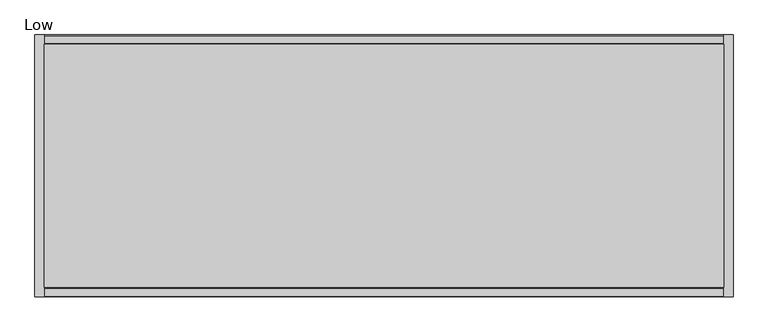
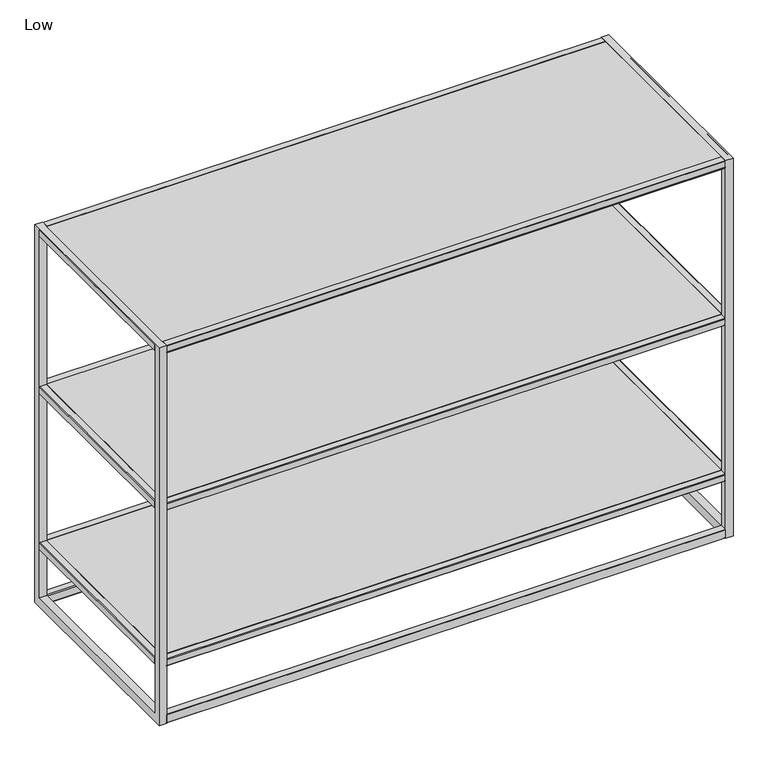
"""IFC4 building model written with IfcOpenShell, lengths in millimetres: furniture geometry, Low."""

from ifc_helpers import new_model, si_unit, frame, origin, place, context, project, spatial, polyline, outline, extrude, source, transform, mapped, element, save


def low_39e5bdbe(model_context):
    return source(origin(), model_context, "Body", "SweptSolid", [
        extrude(outline(polyline([(-1.778, 1.3619377), (-3.1399377, 0.0), (-16.3996092, 0.0), (-18.034, 1.7657197), (-18.034, 17.9909329), (-16.3996092, 19.6253237), (-3.1399377, 19.6253237), (-1.778, 18.263386), (-1.778, 1.3619377)])), frame((16.1568429, 0.0, 0.0), z_axis=(1.0, 0.0, 0.0), x_axis=(0.0, 1.0, 0.0)), (0.0, 0.0, 1.0), 1186.7871571),
        extrude(outline(polyline([(-458.978, 1.2971853), (-458.978, 18.3281384), (-457.6808147, 19.6253237), (-444.4211432, 19.6253237), (-442.7867523, 17.9909329), (-442.7867523, 1.7657197), (-444.4211432, 0.0), (-457.6808147, 0.0), (-458.978, 1.2971853)])), frame((16.1568429, 0.0, 0.0), z_axis=(1.0, 0.0, 0.0), x_axis=(0.0, 1.0, 0.0)), (0.0, 0.0, 1.0), 1186.7871571),
        extrude(outline(polyline([(141.8726576, 0.0), (128.8872913, 0.0), (127.5025281, 1.3847632), (127.5025281, 14.7274123), (128.7608398, 16.1568429), (142.0391534, 16.1568429), (143.5462254, 14.4449861), (143.5462254, 1.6735678), (141.8726576, 0.0)])), frame((0.0, -442.7867523, 0.0), z_axis=(0.0, 1.0, 0.0), x_axis=(0.0, 0.0, 1.0)), (0.0, 0.0, 1.0), 424.7527523),
        extrude(outline(polyline([(141.7735005, 1219.2), (143.5462254, 1217.4272751), (143.5462254, 1204.6558568), (142.0391534, 1202.944), (128.7608398, 1202.944), (127.5025281, 1204.3734306), (127.5025281, 1217.7160797), (128.9864484, 1219.2), (141.7735005, 1219.2)])), frame((0.0, -442.7867523, 0.0), z_axis=(0.0, 1.0, 0.0), x_axis=(0.0, 0.0, 1.0)), (0.0, 0.0, 1.0), 424.7527523),
        extrude(outline(polyline([(492.6521114, 0.0), (479.666745, 0.0), (478.282, 1.384745), (478.282, 14.7274329), (479.5402936, 16.1568429), (492.8186071, 16.1568429), (494.3256791, 14.4449861), (494.3256791, 1.6735678), (492.6521114, 0.0)])), frame((0.0, -442.7867523, 0.0), z_axis=(0.0, 1.0, 0.0), x_axis=(0.0, 0.0, 1.0)), (0.0, 0.0, 1.0), 424.7527523),
        extrude(outline(polyline([(492.5529543, 1219.2), (494.3256791, 1217.4272751), (494.3256791, 1204.6558568), (492.8186071, 1202.944), (479.5402936, 1202.944), (478.282, 1204.37341), (478.282, 1217.7160979), (479.7659021, 1219.2), (492.5529543, 1219.2)])), frame((0.0, -442.7867523, 0.0), z_axis=(0.0, 1.0, 0.0), x_axis=(0.0, 0.0, 1.0)), (0.0, 0.0, 1.0), 424.7527523),
        extrude(outline(polyline([(845.8685945, 0.0), (832.8832282, 0.0), (831.3681496, 1.5150786), (831.3681496, 14.5793751), (832.7567768, 16.1568429), (846.0350903, 16.1568429), (847.5421623, 14.4449861), (847.5421623, 1.6735678), (845.8685945, 0.0)])), frame((0.0, -442.7867523, 0.0), z_axis=(0.0, 1.0, 0.0), x_axis=(0.0, 0.0, 1.0)), (0.0, 0.0, 1.0), 424.7527523),
        extrude(outline(polyline([(845.7694374, 1219.2), (847.5421623, 1217.4272751), (847.5421623, 1204.6558568), (846.0350903, 1202.944), (832.7567768, 1202.944), (831.3681496, 1204.5214678), (831.3681496, 1217.5857643), (832.9823853, 1219.2), (845.7694374, 1219.2)])), frame((0.0, -442.7867523, 0.0), z_axis=(0.0, 1.0, 0.0), x_axis=(0.0, 0.0, 1.0)), (0.0, 0.0, 1.0), 424.7527523),
        extrude(outline(polyline([(1202.944, -18.034), (1202.944, -442.7867523), (16.1568429, -442.7867523), (16.1568429, -18.034), (1202.944, -18.034)])), frame((0.0, 0.0, 846.6314683), z_axis=(0.0, 0.0, 1.0), x_axis=(1.0, 0.0, 0.0)), (0.0, 0.0, 1.0), 0.910694),
        extrude(outline(polyline([(1202.944, -18.034), (1202.944, -442.7867523), (16.1568429, -442.7867523), (16.1568429, -18.034), (1202.944, -18.034)])), frame((0.0, 0.0, 478.282), z_axis=(0.0, 0.0, 1.0), x_axis=(1.0, 0.0, 0.0)), (0.0, 0.0, 1.0), 16.0436791),
        extrude(outline(polyline([(1202.944, -18.034), (1202.944, -442.7867523), (16.1568429, -442.7867523), (16.1568429, -18.034), (1202.944, -18.034)])), frame((0.0, 0.0, 127.5025281), z_axis=(0.0, 0.0, 1.0), x_axis=(1.0, 0.0, 0.0)), (0.0, 0.0, 1.0), 16.0436973),
        extrude(outline(polyline([(1202.944, -18.034), (1202.944, -442.7867523), (16.1568429, -442.7867523), (16.1568429, -18.034), (1202.944, -18.034)])), frame((0.0, 0.0, 832.1859872), z_axis=(0.0, 0.0, 1.0), x_axis=(1.0, 0.0, 0.0)), (0.0, 0.0, 1.0), 16.1740128),
        extrude(outline(polyline([(-1.778, 0.0), (-458.978, 0.0), (-458.978, 848.36), (-1.778, 848.36), (-1.778, 0.0)]), holes=[polyline([(-442.7867523, 832.1859872), (-442.7867523, 19.6253237), (-18.034, 19.6253237), (-18.034, 832.1859872), (-442.7867523, 832.1859872)])]), frame((1202.944, 0.0, 0.0), z_axis=(1.0, 0.0, 0.0), x_axis=(0.0, 1.0, 0.0)), (0.0, 0.0, 1.0), 16.256),
        extrude(outline(polyline([(-1.778, 0.0), (-458.978, 0.0), (-458.978, 848.36), (-1.778, 848.36), (-1.778, 0.0)]), holes=[polyline([(-442.7867523, 832.1859872), (-442.7867523, 19.6253237), (-18.034, 19.6253237), (-18.034, 832.1859872), (-442.7867523, 832.1859872)])]), frame((0.0, 0.0, 0.0), z_axis=(1.0, 0.0, 0.0), x_axis=(0.0, 1.0, 0.0)), (0.0, 0.0, 1.0), 16.1568429),
        extrude(outline(polyline([(-1.778, 833.6782404), (-3.2702531, 832.1859872), (-16.2789862, 832.1859872), (-18.034, 834.0820224), (-18.034, 846.9969648), (-16.6709648, 848.36), (-2.9737057, 848.36), (-1.778, 847.1642943), (-1.778, 833.6782404)])), frame((16.1568429, 0.0, 0.0), z_axis=(1.0, 0.0, 0.0), x_axis=(0.0, 1.0, 0.0)), (0.0, 0.0, 1.0), 1186.7871571),
        extrude(outline(polyline([(-458.978, 833.6782404), (-458.978, 847.1642943), (-457.7822943, 848.36), (-444.2214367, 848.36), (-442.7867523, 847.0617172), (-442.7867523, 834.012067), (-444.6134154, 832.1859872), (-457.4857469, 832.1859872), (-458.978, 833.6782404)])), frame((16.1568429, 0.0, 0.0), z_axis=(1.0, 0.0, 0.0), x_axis=(0.0, 1.0, 0.0)), (0.0, 0.0, 1.0), 1186.7871571),
        extrude(outline(polyline([(-1.778, 832.8604027), (-3.2702531, 831.3681496), (-16.2789862, 831.3681496), (-18.034, 833.2641847), (-18.034, 846.1791271), (-16.6709648, 847.5421623), (-2.9737057, 847.5421623), (-1.778, 846.3464566), (-1.778, 832.8604027)])), frame((16.1568429, 0.0, 0.0), z_axis=(1.0, 0.0, 0.0), x_axis=(0.0, 1.0, 0.0)), (0.0, 0.0, 1.0), 1186.7871571),
        extrude(outline(polyline([(-458.978, 832.8604027), (-458.978, 846.3464566), (-457.7822943, 847.5421623), (-444.2214367, 847.5421623), (-442.7867523, 846.2438795), (-442.7867523, 833.1942293), (-444.6134154, 831.3681496), (-457.4857469, 831.3681496), (-458.978, 832.8604027)])), frame((16.1568429, 0.0, 0.0), z_axis=(1.0, 0.0, 0.0), x_axis=(0.0, 1.0, 0.0)), (0.0, 0.0, 1.0), 1186.7871571),
        extrude(outline(polyline([(-1.778, 479.6439377), (-3.1399377, 478.282), (-16.3996092, 478.282), (-18.034, 480.0477197), (-18.034, 492.9626621), (-16.670983, 494.3256791), (-2.9736875, 494.3256791), (-1.778, 493.1299916), (-1.778, 479.6439377)])), frame((16.1568429, 0.0, 0.0), z_axis=(1.0, 0.0, 0.0), x_axis=(0.0, 1.0, 0.0)), (0.0, 0.0, 1.0), 1186.7871571),
        extrude(outline(polyline([(-458.978, 479.6439377), (-458.978, 493.1299916), (-457.7823125, 494.3256791), (-444.2214186, 494.3256791), (-442.7867523, 493.0274145), (-442.7867523, 479.9777643), (-444.4927924, 478.282), (-457.6160623, 478.282), (-458.978, 479.6439377)])), frame((16.1568429, 0.0, 0.0), z_axis=(1.0, 0.0, 0.0), x_axis=(0.0, 1.0, 0.0)), (0.0, 0.0, 1.0), 1186.7871571),
        extrude(outline(polyline([(-1.778, 128.8644658), (-3.1399377, 127.5025281), (-16.3996092, 127.5025281), (-18.034, 129.2682478), (-18.034, 142.1831902), (-16.6709648, 143.5462254), (-2.9737057, 143.5462254), (-1.778, 142.3505197), (-1.778, 128.8644658)])), frame((16.1568429, 0.0, 0.0), z_axis=(1.0, 0.0, 0.0), x_axis=(0.0, 1.0, 0.0)), (0.0, 0.0, 1.0), 1186.7871571),
        extrude(outline(polyline([(-458.978, 128.8644658), (-458.978, 142.3505197), (-457.7822943, 143.5462254), (-444.2214367, 143.5462254), (-442.7867523, 142.2479425), (-442.7867523, 129.1982924), (-444.4927924, 127.5025281), (-457.6160623, 127.5025281), (-458.978, 128.8644658)])), frame((16.1568429, 0.0, 0.0), z_axis=(1.0, 0.0, 0.0), x_axis=(0.0, 1.0, 0.0)), (0.0, 0.0, 1.0), 1186.7871571),
    ])


if __name__ == "__main__":
    model = new_model("IFC4")
    model_context = context("Model", 3, world=origin())
    ifc_project = project(units=[si_unit("LENGTHUNIT", "METRE", prefix="MILLI")], contexts=[model_context])
    site = spatial("IfcSite", under=ifc_project)
    building = spatial("IfcBuilding", under=site)
    placement = place(None, origin())
    low_shape = low_39e5bdbe(model_context)
    element("IfcFurniture", 1, ObjectType="Low", at=placement, inside=building, context=model_context, shape_type="MappedRepresentation", body=[
        mapped(low_shape, transform((0.0, 0.0, 0.0), x_axis=(1.0, 0.0, 0.0), y_axis=(0.0, 1.0, 0.0), z_axis=(0.0, 0.0, 1.0))),
    ])
    save(model, "model.ifc")
